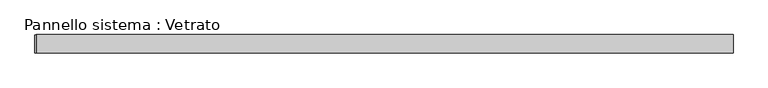
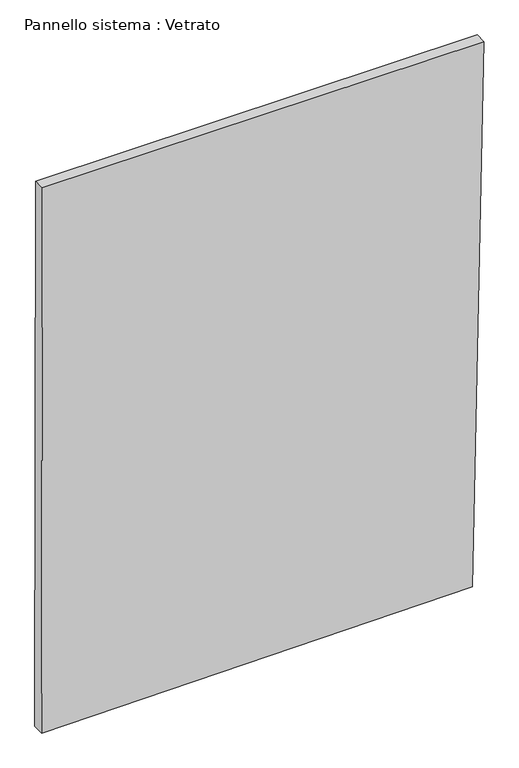
"""IFC4 building model written with IfcOpenShell, lengths in millimetres: plate geometry, Pannello sistema : Vetrato."""

from ifc_helpers import new_model, si_unit, frame, origin, place, context, project, spatial, polyline, outline, extrude, source, transform, mapped, element, save


def pannello_sistema_vetrato_a4b74470(model_context):
    return source(origin(), model_context, "Body", "SweptSolid", [
        extrude(outline(polyline([(0.0, -571.6378582), (9.7334627, 542.2848264), (1487.6605164, 571.6378582), (1487.6605209, -569.7136193), (0.0, -571.6378582)])), frame((0.0, -15.0, 0.0), z_axis=(0.0, 1.0, 0.0), x_axis=(0.0, 0.0, 1.0)), (0.0, 0.0, 1.0), 30.0),
    ])


if __name__ == "__main__":
    model = new_model("IFC4")
    model_context = context("Model", 3, world=origin())
    ifc_project = project(units=[si_unit("LENGTHUNIT", "METRE", prefix="MILLI")], contexts=[model_context])
    site = spatial("IfcSite", under=ifc_project)
    building = spatial("IfcBuilding", under=site)
    placement = place(None, origin())
    pannello_sistema_vetrato_shape = pannello_sistema_vetrato_a4b74470(model_context)
    element("IfcPlate", 1, ObjectType="Pannello sistema : Vetrato", at=placement, inside=building, context=model_context, shape_type="MappedRepresentation", body=[
        mapped(pannello_sistema_vetrato_shape, transform((0.0, 0.0, 0.0), x_axis=(1.0, 0.0, 0.0), y_axis=(0.0, 1.0, 0.0), z_axis=(0.0, 0.0, 1.0))),
    ])
    save(model, "model.ifc")
